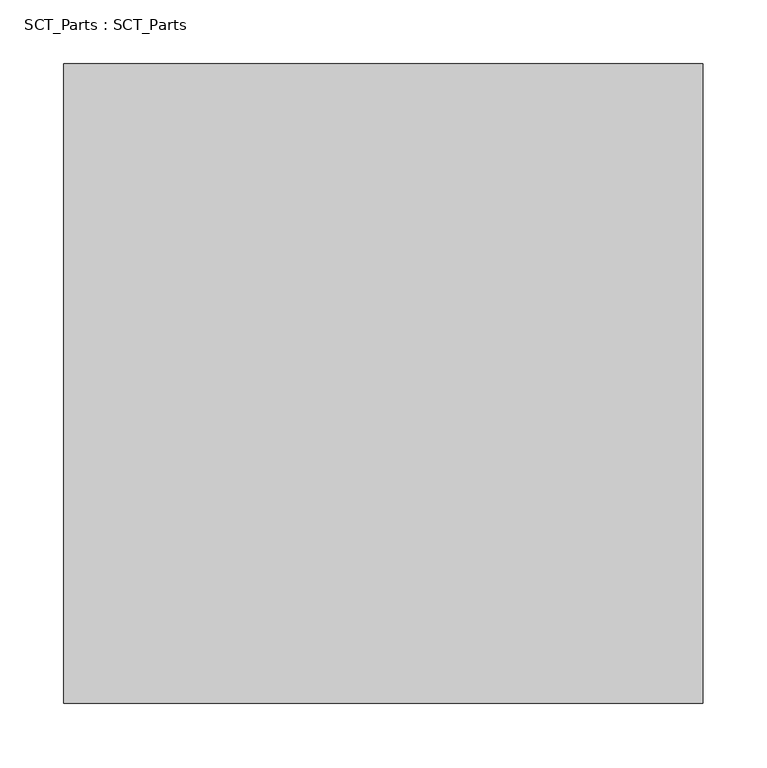
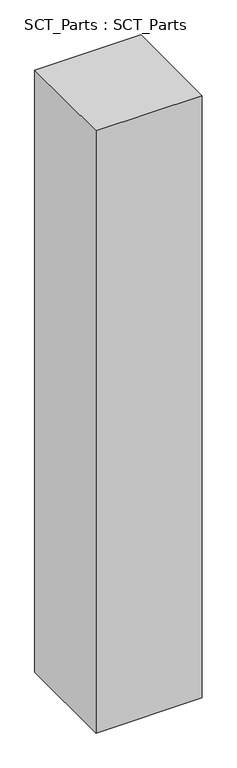
"""IFC4 building model written with IfcOpenShell, lengths in millimetres: proxy geometry, SCT_Parts : SCT_Parts."""

from ifc_helpers import new_model, si_unit, frame, origin, place, context, project, spatial, polyline, outline, extrude, source, transform, mapped, element, save


def sct_parts_sct_parts_259cf044(model_context):
    return source(origin(), model_context, "Body", "SweptSolid", [
        extrude(outline(polyline([(500.0, 500.0), (500.0, 0.0), (0.0, 0.0), (0.0, 500.0), (500.0, 500.0)])), frame((0.0, 0.0, 8000.0), z_axis=(0.0, 0.0, 1.0), x_axis=(1.0, 0.0, 0.0)), (0.0, 0.0, 1.0), 3000.0),
    ])


if __name__ == "__main__":
    model = new_model("IFC4")
    model_context = context("Model", 3, world=origin())
    ifc_project = project(units=[si_unit("LENGTHUNIT", "METRE", prefix="MILLI")], contexts=[model_context])
    site = spatial("IfcSite", under=ifc_project)
    building = spatial("IfcBuilding", under=site)
    placement = place(None, origin())
    sct_parts_sct_parts_shape = sct_parts_sct_parts_259cf044(model_context)
    element("IfcBuildingElementProxy", 1, Name="SCT_Parts : SCT_Parts", ObjectType="SCT_Parts : SCT_Parts", at=placement, inside=building, context=model_context, shape_type="MappedRepresentation", body=[
        mapped(sct_parts_sct_parts_shape, transform((0.0, 0.0, 0.0), x_axis=(1.0, 0.0, 0.0), y_axis=(0.0, 1.0, 0.0), z_axis=(0.0, 0.0, 1.0))),
    ])
    save(model, "model.ifc")
